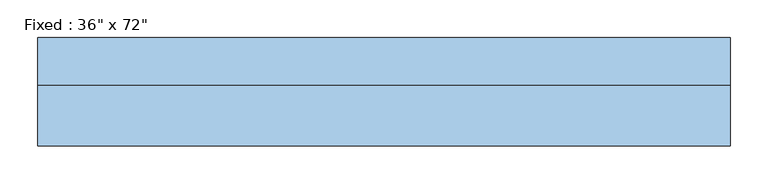
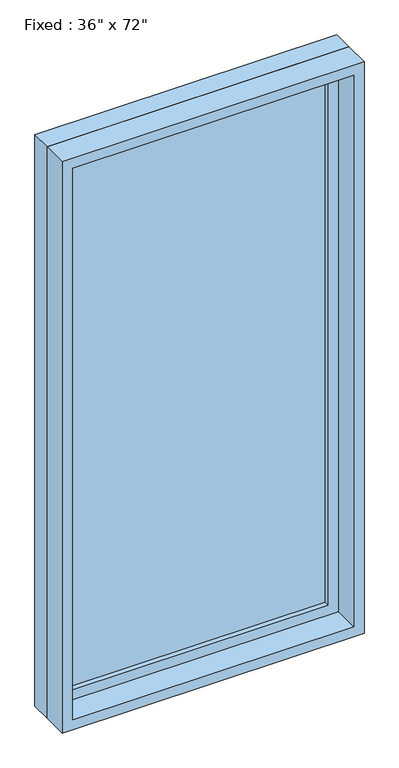
"""IFC4 building model written with IfcOpenShell, lengths in millimetres: window geometry."""

import ifcopenshell
import ifcopenshell.guid

model = None  # the IFC model being written
_history = None  # IfcOwnerHistory: only IFC2X3 demands one
_inside = {}  # id of a spatial element -> (the spatial element, [elements in it])
_under = {}  # id of a project, library or spatial element -> (it, [spatial elements below it])
_declared = {}  # id of a project -> (the project, [libraries it declares])
_typed = {}  # id of a type object -> (the type object, [elements of that type])
_made_of = {}  # id of a material, layer set ... -> (it, [elements and type objects made of it])


def new_model(schema):
    """Start an empty IFC model of exactly this schema.

    Asked for "IFC4X3", IfcOpenShell would pick the latest addendum, in which some entities
    have other attributes; the version numbers below select the first issue.
    IFC2X3 requires an IfcOwnerHistory on every rooted entity: one is made here for all.
    """
    global model, _history
    if schema == "IFC4X3":
        model = ifcopenshell.file(schema_version=(4, 3, 0, 0))
    else:
        model = ifcopenshell.file(schema=schema)
    _inside.clear()
    _under.clear()
    _declared.clear()
    _typed.clear()
    _made_of.clear()
    _history = None
    if model.schema == "IFC2X3":
        org = make("IfcOrganization", Name="unknown")
        user = make(
            "IfcPersonAndOrganization",
            ThePerson=make("IfcPerson", FamilyName="unknown"),
            TheOrganization=org,
        )
        app = make(
            "IfcApplication",
            ApplicationDeveloper=org,
            Version="unknown",
            ApplicationFullName="unknown",
            ApplicationIdentifier="unknown",
        )
        _history = make(
            "IfcOwnerHistory",
            OwningUser=user,
            OwningApplication=app,
            ChangeAction="ADDED",
            CreationDate=0,
        )
    return model


def make(cls, **values):
    """One entity of the class cls with the attributes given. An attribute that is None is left unset."""
    return model.create_entity(
        cls, **{name: value for name, value in values.items() if value is not None}
    )


def rooted(cls, **values):
    """An entity with a GlobalId (a new one), such as an element, a storey or a relation."""
    return make(cls, GlobalId=ifcopenshell.guid.new(), OwnerHistory=_history, **values)


def si_unit(unit_type, name, prefix=None):
    """IfcSIUnit, for example si_unit("LENGTHUNIT", "METRE", prefix="MILLI")."""
    return make("IfcSIUnit", UnitType=unit_type, Prefix=prefix, Name=name)


def assignment(units):
    """IfcUnitAssignment: the units of a project."""
    return None if units is None else make("IfcUnitAssignment", Units=units)


def point(xyz):
    """IfcCartesianPoint."""
    return None if xyz is None else make("IfcCartesianPoint", Coordinates=xyz)


def direction(xyz):
    """IfcDirection."""
    return None if xyz is None else make("IfcDirection", DirectionRatios=xyz)


def frame(location, z_axis=None, x_axis=None):
    """IfcAxis2Placement3D, a coordinate frame: its origin and axes. An axis left out is left unset."""
    return make(
        "IfcAxis2Placement3D",
        Location=point(location),
        Axis=direction(z_axis),
        RefDirection=direction(x_axis),
    )


def origin():
    """The frame at (0, 0, 0) with its axes left unset."""
    return frame((0.0, 0.0, 0.0))


def place(relative_to, where):
    """IfcLocalPlacement: puts the frame where relative to a parent placement (None: the world)."""
    return make(
        "IfcLocalPlacement", PlacementRelTo=relative_to, RelativePlacement=where
    )


def context(
    kind, dimensions, precision=None, world=None, true_north=None, identifier=None
):
    """IfcGeometricRepresentationContext, for example the 3D "Model" context."""
    return make(
        "IfcGeometricRepresentationContext",
        ContextIdentifier=identifier,
        ContextType=kind,
        CoordinateSpaceDimension=dimensions,
        Precision=precision,
        WorldCoordinateSystem=world,
        TrueNorth=true_north,
    )


def project(units=None, contexts=None):
    """IfcProject with its units and contexts."""
    return rooted(
        "IfcProject",
        Name="project",
        RepresentationContexts=contexts,
        UnitsInContext=assignment(units),
    )


def spatial(cls, under=None, at=None, **own):
    """A site, building, storey or space (cls), placed at a placement, below another one or the project."""
    s = rooted(cls, ObjectPlacement=at, **own)
    if under is not None:
        _under.setdefault(under.id(), (under, []))[1].append(s)
    return s


def polyline(points):
    """IfcPolyline through the points."""
    return make("IfcPolyline", Points=[point(p) for p in points])


def outline(outer, holes=None, kind="AREA"):
    """IfcArbitraryClosedProfileDef: a profile drawn as a closed curve; with holes, ...WithVoids."""
    if holes is None:
        return make("IfcArbitraryClosedProfileDef", ProfileType=kind, OuterCurve=outer)
    return make(
        "IfcArbitraryProfileDefWithVoids",
        ProfileType=kind,
        OuterCurve=outer,
        InnerCurves=holes,
    )


def extrude(swept, where, along, depth):
    """IfcExtrudedAreaSolid: the profile swept, set in the frame where, extruded along a direction by depth."""
    return make(
        "IfcExtrudedAreaSolid",
        SweptArea=swept,
        Position=where,
        ExtrudedDirection=direction(along),
        Depth=depth,
    )


def shape(context_of_items, identifier, shape_type, items):
    """IfcShapeRepresentation: the items that make up one representation, for example the "Body"."""
    return make(
        "IfcShapeRepresentation",
        ContextOfItems=context_of_items,
        RepresentationIdentifier=identifier,
        RepresentationType=shape_type,
        Items=items,
    )


def source(mapping_origin, context_of_items, identifier, shape_type, items):
    """IfcRepresentationMap: a shape defined once, which mapped items show again and again."""
    return make(
        "IfcRepresentationMap",
        MappingOrigin=mapping_origin,
        MappedRepresentation=shape(context_of_items, identifier, shape_type, items),
    )


def transform(
    local_origin,
    x_axis=None,
    y_axis=None,
    z_axis=None,
    scale=None,
    scale2=None,
    scale3=None,
    uniform=True,
):
    """IfcCartesianTransformationOperator3D, or its non-uniform kind. x_axis, y_axis, z_axis: its Axis1, 2, 3."""
    if uniform:
        return make(
            "IfcCartesianTransformationOperator3D",
            Axis1=direction(x_axis),
            Axis2=direction(y_axis),
            LocalOrigin=point(local_origin),
            Scale=scale,
            Axis3=direction(z_axis),
        )
    return make(
        "IfcCartesianTransformationOperator3DnonUniform",
        Axis1=direction(x_axis),
        Axis2=direction(y_axis),
        LocalOrigin=point(local_origin),
        Scale=scale,
        Axis3=direction(z_axis),
        Scale2=scale2,
        Scale3=scale3,
    )


def mapped(mapping_source, mapping_target):
    """IfcMappedItem: shows the shape of a source again, moved by a transform."""
    return make(
        "IfcMappedItem", MappingSource=mapping_source, MappingTarget=mapping_target
    )


def made_of(thing, what):
    """Note that an element or type object is made of a material, layer set ...; save() writes the relation."""
    if what is not None:
        _made_of.setdefault(what.id(), (what, []))[1].append(thing)
    return thing


def element(
    cls,
    number,
    at=None,
    inside=None,
    cuts=None,
    type_object=None,
    material=None,
    context=None,
    identifier="Body",
    shape_type=None,
    held_by="IfcProductDefinitionShape",
    body=None,
    shapes=None,
    **own,
):
    """One element of the class cls, such as IfcWall. Its Tag is "e" and its number.

    at: its placement. inside: the storey or other place that contains it. cuts: it is an
    opening in that element (IfcRelVoidsElement). A single representation is given by context,
    identifier, shape_type and body (its items); several are given by shapes. held_by: the class
    of the entity that holds the representations. save() writes the other relations.
    """
    e = rooted(cls, Tag="e%d" % number, ObjectPlacement=at, **own)
    if body is not None:
        shapes = [shape(context, identifier, shape_type, body)]
    if shapes is not None:
        e.Representation = make(held_by, Representations=shapes)
    if inside is not None:
        _inside.setdefault(inside.id(), (inside, []))[1].append(e)
    if cuts is not None:
        rooted(
            "IfcRelVoidsElement", RelatingBuildingElement=cuts, RelatedOpeningElement=e
        )
    if type_object is not None:
        _typed.setdefault(type_object.id(), (type_object, []))[1].append(e)
    return made_of(e, material)


def aggregate(whole, parts):
    """IfcRelAggregates: a whole, such as a stair, and the parts it consists of."""
    return rooted("IfcRelAggregates", RelatingObject=whole, RelatedObjects=parts)


def save(model, path):
    """Write the relations noted so far, then the file.

    IfcRelAggregates (storeys below a building ...), IfcRelContainedInSpatialStructure (elements
    in a storey), IfcRelDefinesByType, IfcRelAssociatesMaterial and IfcRelDeclares: one each for
    every whole, place, type object, material and project.
    """
    for whole, parts in _under.values():
        aggregate(whole, parts)
    for where, things in _inside.values():
        rooted(
            "IfcRelContainedInSpatialStructure",
            RelatedElements=things,
            RelatingStructure=where,
        )
    for kind, things in _typed.values():
        rooted("IfcRelDefinesByType", RelatedObjects=things, RelatingType=kind)
    for what, things in _made_of.values():
        rooted("IfcRelAssociatesMaterial", RelatedObjects=things, RelatingMaterial=what)
    for by, libraries in _declared.values():
        rooted("IfcRelDeclares", RelatingContext=by, RelatedDefinitions=libraries)
    model.write(path)


def window_5cb303b3(model_context):
    return source(origin(), model_context, "Body", "SweptSolid", [
        extrude(outline(polyline([(355.6, 23.8125), (-431.8, 23.8125), (-431.8, 36.5125), (355.6, 36.5125), (355.6, 23.8125)])), frame((0.0, 0.0, 368.3), z_axis=(0.0, 0.0, 1.0), x_axis=(1.0, 0.0, 0.0)), (0.0, 0.0, 1.0), 1701.8),
        extrude(outline(polyline([(2114.55, -476.25), (323.85, -476.25), (323.85, 400.05), (2114.55, 400.05), (2114.55, -476.25)]), holes=[polyline([(2070.1, -431.8), (2070.1, 355.6), (368.3, 355.6), (368.3, -431.8), (2070.1, -431.8)])]), frame((0.0, 7.9375, 0.0), z_axis=(0.0, 1.0, 0.0), x_axis=(0.0, 0.0, 1.0)), (0.0, 0.0, 1.0), 44.45),
        extrude(outline(polyline([(2133.6, -495.3), (304.8, -495.3), (304.8, 419.1), (2133.6, 419.1), (2133.6, -495.3)]), holes=[polyline([(2101.85, -463.55), (2101.85, 387.35), (336.55, 387.35), (336.55, -463.55), (2101.85, -463.55)])]), frame((0.0, -71.4375, 0.0), z_axis=(0.0, 1.0, 0.0), x_axis=(0.0, 0.0, 1.0)), (0.0, 0.0, 1.0), 79.375),
        extrude(outline(polyline([(2133.6, 419.1), (2133.6, -495.3), (304.8, -495.3), (304.8, 419.1), (2133.6, 419.1)]), holes=[polyline([(2114.55, 400.05), (323.85, 400.05), (323.85, -476.25), (2114.55, -476.25), (2114.55, 400.05)])]), frame((0.0, 7.9375, 0.0), z_axis=(0.0, 1.0, 0.0), x_axis=(0.0, 0.0, 1.0)), (0.0, 0.0, 1.0), 63.5),
    ])


if __name__ == "__main__":
    model = new_model("IFC4")
    model_context = context("Model", 3, world=origin())
    ifc_project = project(units=[si_unit("LENGTHUNIT", "METRE", prefix="MILLI")], contexts=[model_context])
    site = spatial("IfcSite", under=ifc_project)
    building = spatial("IfcBuilding", under=site)
    placement = place(None, origin())
    window_shape = window_5cb303b3(model_context)
    element("IfcWindow", 1, ObjectType="Fixed : 36\" x 72\"", at=placement, inside=building, context=model_context, shape_type="MappedRepresentation", body=[
        mapped(window_shape, transform((0.0, 0.0, 0.0), x_axis=(1.0, 0.0, 0.0), y_axis=(0.0, 1.0, 0.0), z_axis=(0.0, 0.0, 1.0))),
    ])
    save(model, "model.ifc")
